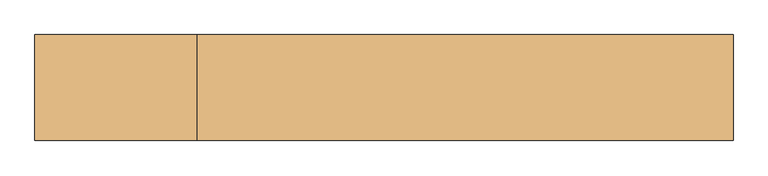
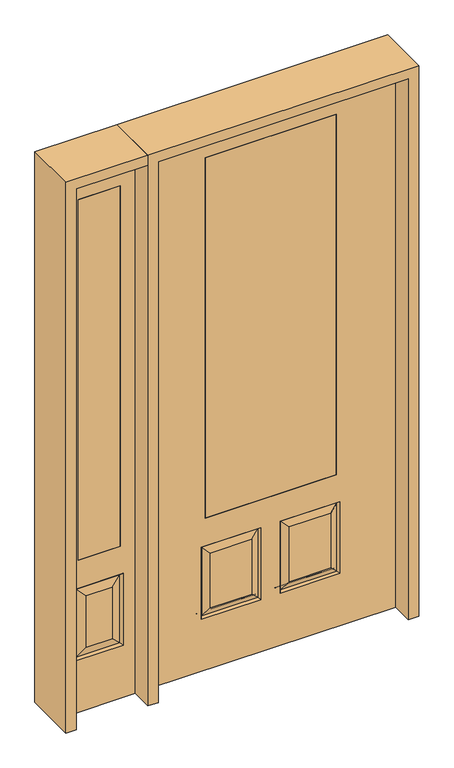
"""IFC4 building model written with IfcOpenShell, lengths in millimetres: door geometry."""

from ifc_helpers import new_model, si_unit, frame, origin, place, context, project, spatial, polyline, outline, extrude, faceted_brep, source, transform, mapped, element, save


def door_05bea833(model_context):
    return source(origin(), model_context, "Body", "SolidModel", [
        extrude(outline(polyline([(-641.35, -20.6375), (-819.15, -20.6375), (-819.15, 20.6375), (-641.35, 20.6375), (-641.35, -20.6375)])), frame((0.0, 0.0, 685.8), z_axis=(0.0, 0.0, 1.0), x_axis=(1.0, 0.0, 0.0)), (0.0, 0.0, 1.0), 1625.6),
        faceted_brep([(-882.65, -20.6375, 0.0), (-577.85, -20.6375, 0.0), (-577.85, -20.6375, 2438.4), (-882.65, -20.6375, 2438.4), (-628.65, -20.6375, 234.95), (-831.85, -20.6375, 234.95), (-831.85, -20.6375, 558.8), (-628.65, -20.6375, 558.8), (-641.35, -20.6375, 685.8), (-819.15, -20.6375, 685.8), (-819.15, -20.6375, 2311.4), (-641.35, -20.6375, 2311.4), (-785.8125, -20.6375, 280.9875), (-674.6875, -20.6375, 280.9875), (-674.6875, -20.6375, 512.7625), (-785.8125, -20.6375, 512.7625), (-882.65, 20.6375, 0.0), (-577.85, 20.6375, 0.0), (-577.85, 20.6375, 2438.4), (-882.65, 20.6375, 2438.4), (-637.6302561, -11.6572439, 243.9302561), (-822.8697439, -11.6572439, 243.9302561), (-822.8697439, -11.6572439, 549.8197439), (-637.6302561, -11.6572439, 549.8197439), (-831.85, 20.6375, 234.95), (-628.65, 20.6375, 234.95), (-628.65, 20.6375, 558.8), (-831.85, 20.6375, 558.8), (-819.15, 20.6375, 685.8), (-641.35, 20.6375, 685.8), (-641.35, 20.6375, 2311.4), (-819.15, 20.6375, 2311.4), (-674.6875, 20.6375, 280.9875), (-785.8125, 20.6375, 280.9875), (-785.8125, 20.6375, 512.7625), (-674.6875, 20.6375, 512.7625), (-822.8697439, 11.6572439, 243.9302561), (-637.6302561, 11.6572439, 243.9302561), (-637.6302561, 11.6572439, 549.8197439), (-822.8697439, 11.6572439, 549.8197439)], [[[0, 1, 2, 3], [4, 5, 6, 7], [8, 9, 10, 11]], [[12, 13, 14, 15]], [[1, 0, 16, 17]], [[2, 1, 17, 18]], [[0, 3, 19, 16]], [[20, 21, 5, 4]], [[5, 21, 22, 6]], [[6, 22, 23, 7]], [[20, 4, 7, 23]], [[21, 20, 13, 12]], [[13, 20, 23, 14]], [[22, 15, 14, 23]], [[21, 12, 15, 22]], [[16, 19, 18, 17], [24, 25, 26, 27], [28, 29, 30, 31]], [[32, 33, 34, 35]], [[24, 36, 37, 25]], [[25, 37, 38, 26]], [[39, 27, 26, 38]], [[36, 24, 27, 39]], [[37, 36, 33, 32]], [[33, 36, 39, 34]], [[34, 39, 38, 35]], [[37, 32, 35, 38]], [[3, 2, 18, 19]], [[8, 29, 28, 9]], [[9, 28, 31, 10]], [[29, 8, 11, 30]], [[30, 11, 10, 31]]]),
        faceted_brep([(279.4, 20.6375, 685.8), (279.4, -20.6375, 685.8), (279.4, -20.6375, 2311.4), (279.4, 20.6375, 2311.4), (-279.4, 20.6375, 685.8), (-279.4, -20.6375, 685.8), (-80.1727627, 20.6375, 273.8477627), (-256.3772373, 20.6375, 273.8477627), (-256.3772373, 20.6375, 520.4102373), (-80.1727627, 20.6375, 520.4102373), (256.3772373, 20.6375, 273.8477627), (80.1727627, 20.6375, 273.8477627), (80.1727627, 20.6375, 520.4102373), (256.3772373, 20.6375, 520.4102373), (-533.4, 20.6375, 2438.4), (533.4, 20.6375, 2438.4), (533.4, 20.6375, 0.0), (-533.4, 20.6375, 0.0), (-279.4, 20.6375, 2311.4), (-295.275, 20.6375, 234.95), (-41.275, 20.6375, 234.95), (-41.275, 20.6375, 559.308), (-295.275, 20.6375, 559.308), (41.275, 20.6375, 234.95), (295.275, 20.6375, 234.95), (295.275, 20.6375, 559.308), (41.275, 20.6375, 559.308), (-279.4, -20.6375, 2311.4), (80.1727627, -20.6375, 273.8477627), (256.3772373, -20.6375, 273.8477627), (256.3772373, -20.6375, 520.4102373), (80.1727627, -20.6375, 520.4102373), (-256.3772373, -20.6375, 273.8477627), (-80.1727627, -20.6375, 273.8477627), (-80.1727627, -20.6375, 520.4102373), (-256.3772373, -20.6375, 520.4102373), (533.4, -20.6375, 2438.4), (-533.4, -20.6375, 2438.4), (-533.4, -20.6375, 0.0), (533.4, -20.6375, 0.0), (295.275, -20.6375, 234.95), (41.275, -20.6375, 234.95), (41.275, -20.6375, 559.308), (295.275, -20.6375, 559.308), (-41.275, -20.6375, 234.95), (-295.275, -20.6375, 234.95), (-295.275, -20.6375, 559.308), (-41.275, -20.6375, 559.308), (-287.8714647, 11.4399763, 242.3535353), (-48.6785353, 11.4399763, 242.3535353), (-48.6785353, 11.4399763, 551.9044647), (-287.8714647, 11.4399763, 551.9044647), (48.6785353, 11.4399763, 242.3535353), (287.8714647, 11.4399763, 242.3535353), (287.8714647, 11.4399763, 551.9044647), (48.6785353, 11.4399763, 551.9044647), (287.8714647, -11.4399763, 242.3535353), (48.6785353, -11.4399763, 242.3535353), (48.6785353, -11.4399763, 551.9044647), (287.8714647, -11.4399763, 551.9044647), (-48.6785353, -11.4399763, 242.3535353), (-287.8714647, -11.4399763, 242.3535353), (-287.8714647, -11.4399763, 551.9044647), (-48.6785353, -11.4399763, 551.9044647)], [[[0, 1, 2, 3]], [[1, 0, 4, 5]], [[6, 7, 8, 9]], [[10, 11, 12, 13]], [[14, 15, 16, 17], [4, 0, 3, 18], [19, 20, 21, 22], [23, 24, 25, 26]], [[5, 4, 18, 27]], [[28, 29, 30, 31]], [[32, 33, 34, 35]], [[36, 37, 38, 39], [1, 5, 27, 2], [40, 41, 42, 43], [44, 45, 46, 47]], [[39, 38, 17, 16]], [[37, 14, 17, 38]], [[15, 36, 39, 16]], [[19, 48, 49, 20]], [[20, 49, 50, 21]], [[51, 22, 21, 50]], [[48, 19, 22, 51]], [[49, 48, 7, 6]], [[7, 48, 51, 8]], [[8, 51, 50, 9]], [[49, 6, 9, 50]], [[52, 53, 24, 23]], [[24, 53, 54, 25]], [[25, 54, 55, 26]], [[52, 23, 26, 55]], [[53, 52, 11, 10]], [[11, 52, 55, 12]], [[54, 13, 12, 55]], [[53, 10, 13, 54]], [[40, 56, 57, 41]], [[41, 57, 58, 42]], [[59, 43, 42, 58]], [[56, 40, 43, 59]], [[57, 56, 29, 28]], [[29, 56, 59, 30]], [[30, 59, 58, 31]], [[57, 28, 31, 58]], [[60, 61, 45, 44]], [[45, 61, 62, 46]], [[46, 62, 63, 47]], [[60, 44, 47, 63]], [[61, 60, 33, 32]], [[33, 60, 63, 34]], [[62, 35, 34, 63]], [[61, 32, 35, 62]], [[3, 2, 27, 18]], [[36, 15, 14, 37]]]),
        extrude(outline(polyline([(279.4, -20.6375), (-279.4, -20.6375), (-279.4, 20.6375), (279.4, 20.6375), (279.4, -20.6375)])), frame((0.0, 0.0, 685.8), z_axis=(0.0, 0.0, 1.0), x_axis=(1.0, 0.0, 0.0)), (0.0, 0.0, 1.0), 1625.6),
        extrude(outline(polyline([(2438.4, -577.85), (2482.85, -577.85), (2482.85, -927.1), (0.0, -927.1), (0.0, -882.65), (2438.4, -882.65), (2438.4, -577.85)])), frame((0.0, -114.3, 0.0), z_axis=(0.0, 1.0, 0.0), x_axis=(0.0, 0.0, 1.0)), (0.0, 0.0, 1.0), 228.6),
        extrude(outline(polyline([(2482.85, -577.85), (0.0, -577.85), (0.0, -533.4), (2438.4, -533.4), (2438.4, 533.4), (0.0, 533.4), (0.0, 577.85), (2482.85, 577.85), (2482.85, -577.85)])), frame((0.0, -114.3, 0.0), z_axis=(0.0, 1.0, 0.0), x_axis=(0.0, 0.0, 1.0)), (0.0, 0.0, 1.0), 228.6),
    ])


if __name__ == "__main__":
    model = new_model("IFC4")
    model_context = context("Model", 3, world=origin())
    ifc_project = project(units=[si_unit("LENGTHUNIT", "METRE", prefix="MILLI")], contexts=[model_context])
    site = spatial("IfcSite", under=ifc_project)
    building = spatial("IfcBuilding", under=site)
    placement = place(None, origin())
    door_shape = door_05bea833(model_context)
    element("IfcDoor", 1, at=placement, inside=building, context=model_context, shape_type="MappedRepresentation", body=[
        mapped(door_shape, transform((0.0, 0.0, 0.0), x_axis=(1.0, 0.0, 0.0), y_axis=(0.0, 1.0, 0.0), z_axis=(0.0, 0.0, 1.0))),
    ])
    save(model, "model.ifc")
